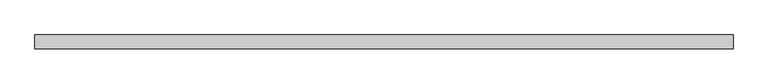
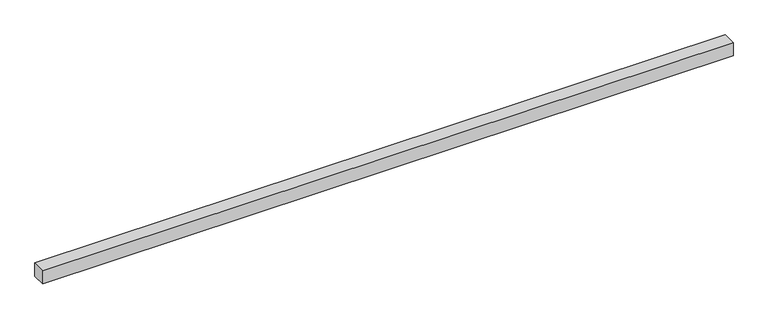
"""IFC4 building model written with IfcOpenShell, lengths in millimetres: beam geometry."""

from ifc_helpers import new_model, si_unit, frame, origin, place, context, project, spatial, polyline, outline, extrude, source, transform, mapped, element, save


def beam_c2e0137e(model_context):
    return source(origin(), model_context, "Body", "SweptSolid", [
        extrude(outline(polyline([(1250.0, 25.0), (1250.0, -25.0), (-1250.0, -25.0), (-1250.0, 25.0), (1250.0, 25.0)])), frame((0.0, 0.0, -25.0), z_axis=(0.0, 0.0, 1.0), x_axis=(1.0, 0.0, 0.0)), (0.0, 0.0, 1.0), 50.0),
    ])


if __name__ == "__main__":
    model = new_model("IFC4")
    model_context = context("Model", 3, world=origin())
    ifc_project = project(units=[si_unit("LENGTHUNIT", "METRE", prefix="MILLI")], contexts=[model_context])
    site = spatial("IfcSite", under=ifc_project)
    building = spatial("IfcBuilding", under=site)
    placement = place(None, origin())
    beam_shape = beam_c2e0137e(model_context)
    element("IfcBeam", 1, at=placement, inside=building, context=model_context, shape_type="MappedRepresentation", body=[
        mapped(beam_shape, transform((0.0, 0.0, 0.0), x_axis=(1.0, 0.0, 0.0), y_axis=(0.0, 1.0, 0.0), z_axis=(0.0, 0.0, 1.0))),
    ])
    save(model, "model.ifc")
